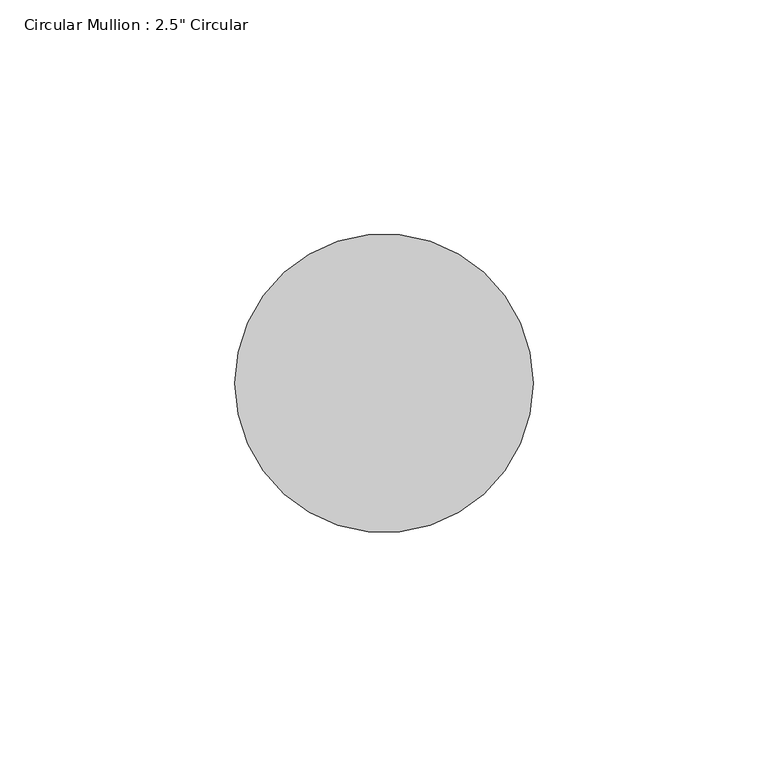
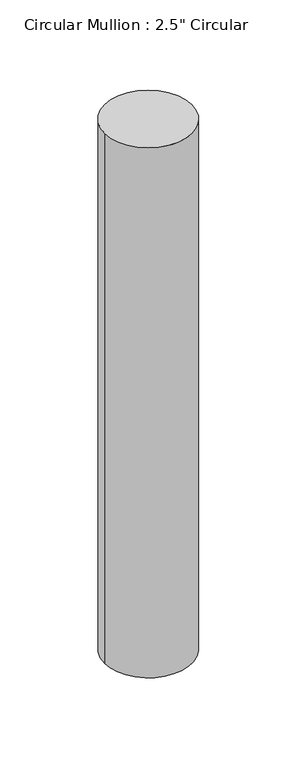
"""IFC4 building model written with IfcOpenShell, lengths in millimetres: member geometry."""

from ifc_helpers import new_model, si_unit, point, frame, origin, origin_2d, place, context, project, spatial, circle_curve, trimmed, segment, composite_curve, outline, extrude, source, transform, mapped, element, save


def member_154a6c6a(model_context):
    return source(origin(), model_context, "Body", "SweptSolid", [
        extrude(outline(composite_curve([segment(trimmed(circle_curve(origin_2d(), 31.75), [point((31.75, 0.0))], [point((-31.75, 0.0))], False, "CARTESIAN"), True, "CONTINUOUS"), segment(trimmed(circle_curve(origin_2d(), 31.75), [point((-31.75, 0.0))], [point((31.75, 0.0))], False, "CARTESIAN"), True, "CONTINUOUS")], self_intersect=False)), frame((0.0, 0.0, -406.5), z_axis=(0.0, 0.0, 1.0), x_axis=(1.0, 0.0, 0.0)), (0.0, 0.0, 1.0), 406.5),
    ])


if __name__ == "__main__":
    model = new_model("IFC4")
    model_context = context("Model", 3, world=origin())
    ifc_project = project(units=[si_unit("LENGTHUNIT", "METRE", prefix="MILLI")], contexts=[model_context])
    site = spatial("IfcSite", under=ifc_project)
    building = spatial("IfcBuilding", under=site)
    placement = place(None, origin())
    member_shape = member_154a6c6a(model_context)
    element("IfcMember", 1, ObjectType="Circular Mullion : 2.5\" Circular", at=placement, inside=building, context=model_context, shape_type="MappedRepresentation", body=[
        mapped(member_shape, transform((0.0, 0.0, 0.0), x_axis=(1.0, 0.0, 0.0), y_axis=(0.0, 1.0, 0.0), z_axis=(0.0, 0.0, 1.0))),
    ])
    save(model, "model.ifc")
